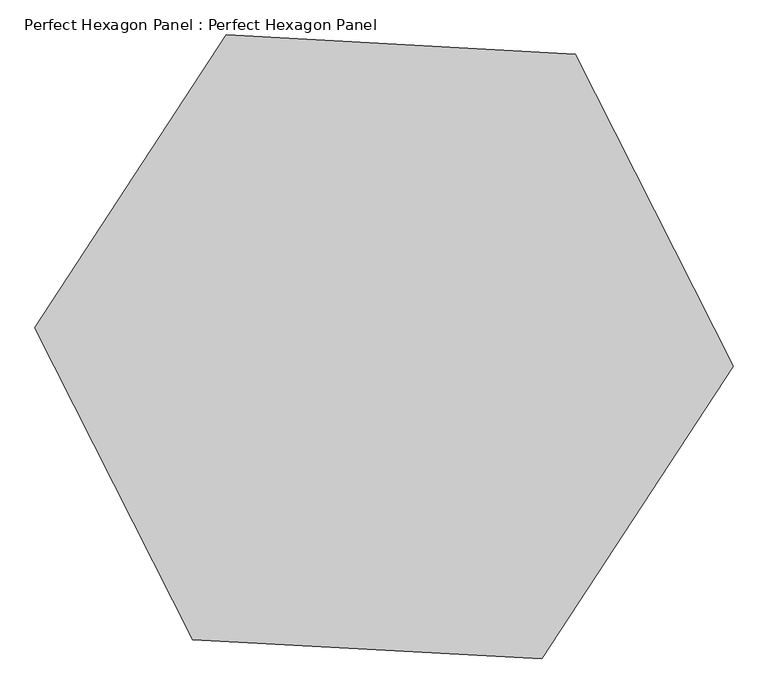
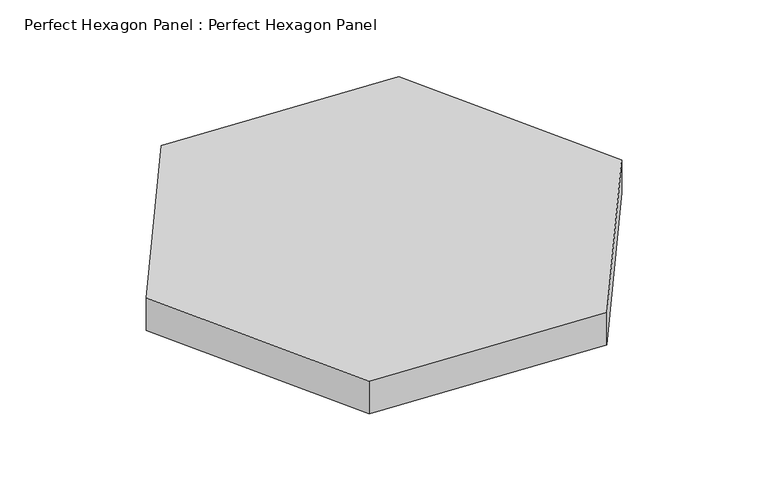
"""IFC4 building model written with IfcOpenShell, lengths in millimetres: plate geometry, Perfect Hexagon Panel : Perfect Hexagon Panel."""

import ifcopenshell
import ifcopenshell.guid

model = None  # the IFC model being written
_history = None  # IfcOwnerHistory: only IFC2X3 demands one
_inside = {}  # id of a spatial element -> (the spatial element, [elements in it])
_under = {}  # id of a project, library or spatial element -> (it, [spatial elements below it])
_declared = {}  # id of a project -> (the project, [libraries it declares])
_typed = {}  # id of a type object -> (the type object, [elements of that type])
_made_of = {}  # id of a material, layer set ... -> (it, [elements and type objects made of it])


def new_model(schema):
    """Start an empty IFC model of exactly this schema.

    Asked for "IFC4X3", IfcOpenShell would pick the latest addendum, in which some entities
    have other attributes; the version numbers below select the first issue.
    IFC2X3 requires an IfcOwnerHistory on every rooted entity: one is made here for all.
    """
    global model, _history
    if schema == "IFC4X3":
        model = ifcopenshell.file(schema_version=(4, 3, 0, 0))
    else:
        model = ifcopenshell.file(schema=schema)
    _inside.clear()
    _under.clear()
    _declared.clear()
    _typed.clear()
    _made_of.clear()
    _history = None
    if model.schema == "IFC2X3":
        org = make("IfcOrganization", Name="unknown")
        user = make(
            "IfcPersonAndOrganization",
            ThePerson=make("IfcPerson", FamilyName="unknown"),
            TheOrganization=org,
        )
        app = make(
            "IfcApplication",
            ApplicationDeveloper=org,
            Version="unknown",
            ApplicationFullName="unknown",
            ApplicationIdentifier="unknown",
        )
        _history = make(
            "IfcOwnerHistory",
            OwningUser=user,
            OwningApplication=app,
            ChangeAction="ADDED",
            CreationDate=0,
        )
    return model


def make(cls, **values):
    """One entity of the class cls with the attributes given. An attribute that is None is left unset."""
    return model.create_entity(
        cls, **{name: value for name, value in values.items() if value is not None}
    )


def rooted(cls, **values):
    """An entity with a GlobalId (a new one), such as an element, a storey or a relation."""
    return make(cls, GlobalId=ifcopenshell.guid.new(), OwnerHistory=_history, **values)


def si_unit(unit_type, name, prefix=None):
    """IfcSIUnit, for example si_unit("LENGTHUNIT", "METRE", prefix="MILLI")."""
    return make("IfcSIUnit", UnitType=unit_type, Prefix=prefix, Name=name)


def assignment(units):
    """IfcUnitAssignment: the units of a project."""
    return None if units is None else make("IfcUnitAssignment", Units=units)


def point(xyz):
    """IfcCartesianPoint."""
    return None if xyz is None else make("IfcCartesianPoint", Coordinates=xyz)


def direction(xyz):
    """IfcDirection."""
    return None if xyz is None else make("IfcDirection", DirectionRatios=xyz)


def frame(location, z_axis=None, x_axis=None):
    """IfcAxis2Placement3D, a coordinate frame: its origin and axes. An axis left out is left unset."""
    return make(
        "IfcAxis2Placement3D",
        Location=point(location),
        Axis=direction(z_axis),
        RefDirection=direction(x_axis),
    )


def origin():
    """The frame at (0, 0, 0) with its axes left unset."""
    return frame((0.0, 0.0, 0.0))


def origin_with_axes():
    """The frame at (0, 0, 0) with the z axis (0, 0, 1) and the x axis (1, 0, 0) written out."""
    return frame((0.0, 0.0, 0.0), z_axis=(0.0, 0.0, 1.0), x_axis=(1.0, 0.0, 0.0))


def place(relative_to, where):
    """IfcLocalPlacement: puts the frame where relative to a parent placement (None: the world)."""
    return make(
        "IfcLocalPlacement", PlacementRelTo=relative_to, RelativePlacement=where
    )


def context(
    kind, dimensions, precision=None, world=None, true_north=None, identifier=None
):
    """IfcGeometricRepresentationContext, for example the 3D "Model" context."""
    return make(
        "IfcGeometricRepresentationContext",
        ContextIdentifier=identifier,
        ContextType=kind,
        CoordinateSpaceDimension=dimensions,
        Precision=precision,
        WorldCoordinateSystem=world,
        TrueNorth=true_north,
    )


def project(units=None, contexts=None):
    """IfcProject with its units and contexts."""
    return rooted(
        "IfcProject",
        Name="project",
        RepresentationContexts=contexts,
        UnitsInContext=assignment(units),
    )


def spatial(cls, under=None, at=None, **own):
    """A site, building, storey or space (cls), placed at a placement, below another one or the project."""
    s = rooted(cls, ObjectPlacement=at, **own)
    if under is not None:
        _under.setdefault(under.id(), (under, []))[1].append(s)
    return s


def polyline(points):
    """IfcPolyline through the points."""
    return make("IfcPolyline", Points=[point(p) for p in points])


def outline(outer, holes=None, kind="AREA"):
    """IfcArbitraryClosedProfileDef: a profile drawn as a closed curve; with holes, ...WithVoids."""
    if holes is None:
        return make("IfcArbitraryClosedProfileDef", ProfileType=kind, OuterCurve=outer)
    return make(
        "IfcArbitraryProfileDefWithVoids",
        ProfileType=kind,
        OuterCurve=outer,
        InnerCurves=holes,
    )


def extrude(swept, where, along, depth):
    """IfcExtrudedAreaSolid: the profile swept, set in the frame where, extruded along a direction by depth."""
    return make(
        "IfcExtrudedAreaSolid",
        SweptArea=swept,
        Position=where,
        ExtrudedDirection=direction(along),
        Depth=depth,
    )


def shape(context_of_items, identifier, shape_type, items):
    """IfcShapeRepresentation: the items that make up one representation, for example the "Body"."""
    return make(
        "IfcShapeRepresentation",
        ContextOfItems=context_of_items,
        RepresentationIdentifier=identifier,
        RepresentationType=shape_type,
        Items=items,
    )


def source(mapping_origin, context_of_items, identifier, shape_type, items):
    """IfcRepresentationMap: a shape defined once, which mapped items show again and again."""
    return make(
        "IfcRepresentationMap",
        MappingOrigin=mapping_origin,
        MappedRepresentation=shape(context_of_items, identifier, shape_type, items),
    )


def transform(
    local_origin,
    x_axis=None,
    y_axis=None,
    z_axis=None,
    scale=None,
    scale2=None,
    scale3=None,
    uniform=True,
):
    """IfcCartesianTransformationOperator3D, or its non-uniform kind. x_axis, y_axis, z_axis: its Axis1, 2, 3."""
    if uniform:
        return make(
            "IfcCartesianTransformationOperator3D",
            Axis1=direction(x_axis),
            Axis2=direction(y_axis),
            LocalOrigin=point(local_origin),
            Scale=scale,
            Axis3=direction(z_axis),
        )
    return make(
        "IfcCartesianTransformationOperator3DnonUniform",
        Axis1=direction(x_axis),
        Axis2=direction(y_axis),
        LocalOrigin=point(local_origin),
        Scale=scale,
        Axis3=direction(z_axis),
        Scale2=scale2,
        Scale3=scale3,
    )


def mapped(mapping_source, mapping_target):
    """IfcMappedItem: shows the shape of a source again, moved by a transform."""
    return make(
        "IfcMappedItem", MappingSource=mapping_source, MappingTarget=mapping_target
    )


def made_of(thing, what):
    """Note that an element or type object is made of a material, layer set ...; save() writes the relation."""
    if what is not None:
        _made_of.setdefault(what.id(), (what, []))[1].append(thing)
    return thing


def element(
    cls,
    number,
    at=None,
    inside=None,
    cuts=None,
    type_object=None,
    material=None,
    context=None,
    identifier="Body",
    shape_type=None,
    held_by="IfcProductDefinitionShape",
    body=None,
    shapes=None,
    **own,
):
    """One element of the class cls, such as IfcWall. Its Tag is "e" and its number.

    at: its placement. inside: the storey or other place that contains it. cuts: it is an
    opening in that element (IfcRelVoidsElement). A single representation is given by context,
    identifier, shape_type and body (its items); several are given by shapes. held_by: the class
    of the entity that holds the representations. save() writes the other relations.
    """
    e = rooted(cls, Tag="e%d" % number, ObjectPlacement=at, **own)
    if body is not None:
        shapes = [shape(context, identifier, shape_type, body)]
    if shapes is not None:
        e.Representation = make(held_by, Representations=shapes)
    if inside is not None:
        _inside.setdefault(inside.id(), (inside, []))[1].append(e)
    if cuts is not None:
        rooted(
            "IfcRelVoidsElement", RelatingBuildingElement=cuts, RelatedOpeningElement=e
        )
    if type_object is not None:
        _typed.setdefault(type_object.id(), (type_object, []))[1].append(e)
    return made_of(e, material)


def aggregate(whole, parts):
    """IfcRelAggregates: a whole, such as a stair, and the parts it consists of."""
    return rooted("IfcRelAggregates", RelatingObject=whole, RelatedObjects=parts)


def save(model, path):
    """Write the relations noted so far, then the file.

    IfcRelAggregates (storeys below a building ...), IfcRelContainedInSpatialStructure (elements
    in a storey), IfcRelDefinesByType, IfcRelAssociatesMaterial and IfcRelDeclares: one each for
    every whole, place, type object, material and project.
    """
    for whole, parts in _under.values():
        aggregate(whole, parts)
    for where, things in _inside.values():
        rooted(
            "IfcRelContainedInSpatialStructure",
            RelatedElements=things,
            RelatingStructure=where,
        )
    for kind, things in _typed.values():
        rooted("IfcRelDefinesByType", RelatedObjects=things, RelatingType=kind)
    for what, things in _made_of.values():
        rooted("IfcRelAssociatesMaterial", RelatedObjects=things, RelatingMaterial=what)
    for by, libraries in _declared.values():
        rooted("IfcRelDeclares", RelatingContext=by, RelatedDefinitions=libraries)
    model.write(path)


def perfect_hexagon_panel_perfect_hexagon_panel_3292fdb2(model_context):
    return source(origin(), model_context, "Body", "SweptSolid", [
        extrude(outline(polyline([(2864.5729957, 2558.1495994), (3165.65823, 1963.3453239), (2801.0852343, 1405.1957245), (2135.4270043, 1441.8504006), (1834.34177, 2036.6546761), (2198.9147657, 2594.8042755), (2864.5729957, 2558.1495994)])), origin_with_axes(), (0.0, 0.0, 1.0), 100.0),
    ])


if __name__ == "__main__":
    model = new_model("IFC4")
    model_context = context("Model", 3, world=origin())
    ifc_project = project(units=[si_unit("LENGTHUNIT", "METRE", prefix="MILLI")], contexts=[model_context])
    site = spatial("IfcSite", under=ifc_project)
    building = spatial("IfcBuilding", under=site)
    placement = place(None, origin())
    perfect_hexagon_panel_perfect_hexagon_panel_shape = perfect_hexagon_panel_perfect_hexagon_panel_3292fdb2(model_context)
    element("IfcPlate", 1, ObjectType="Perfect Hexagon Panel : Perfect Hexagon Panel", at=placement, inside=building, context=model_context, shape_type="MappedRepresentation", body=[
        mapped(perfect_hexagon_panel_perfect_hexagon_panel_shape, transform((0.0, 0.0, 0.0), x_axis=(1.0, 0.0, 0.0), y_axis=(0.0, 1.0, 0.0), z_axis=(0.0, 0.0, 1.0))),
    ])
    save(model, "model.ifc")
